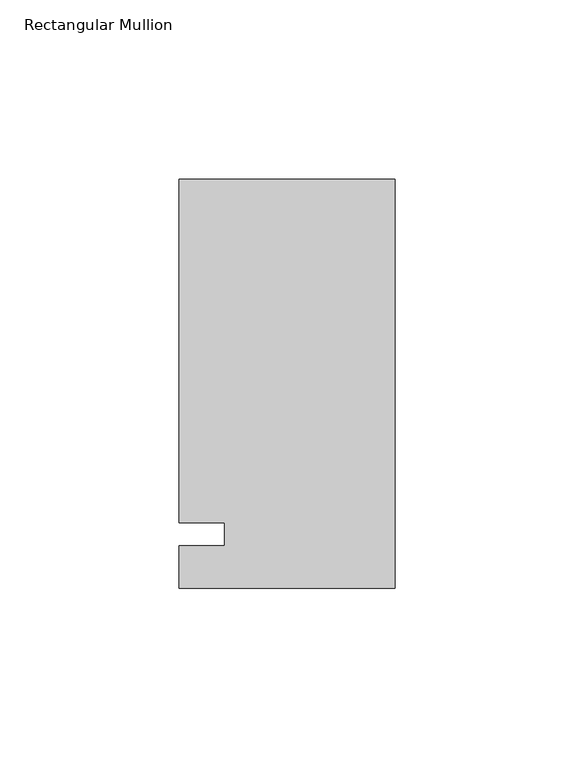
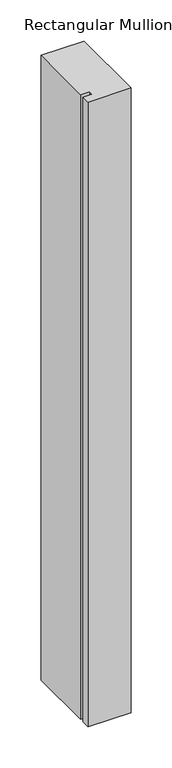
"""IFC4 building model written with IfcOpenShell, lengths in millimetres: member geometry, Rectangular Mullion."""

from ifc_helpers import new_model, si_unit, frame, origin, place, context, project, spatial, polyline, outline, extrude, source, transform, mapped, element, save


def rectangular_mullion_96fb6a23(model_context):
    return source(origin(), model_context, "Body", "SweptSolid", [
        extrude(outline(polyline([(-60.325, 99.21875), (0.0, 99.21875), (0.0, -15.08125), (-60.325, -15.08125), (-60.325, -3.175), (-47.6232296, -3.175), (-47.6232296, 3.175), (-60.325, 3.175), (-60.325, 99.21875)])), frame((0.0, 0.0, -925.9405973), z_axis=(0.0, 0.0, 1.0), x_axis=(1.0, 0.0, 0.0)), (0.0, 0.0, 1.0), 925.9405973),
    ])


if __name__ == "__main__":
    model = new_model("IFC4")
    model_context = context("Model", 3, world=origin())
    ifc_project = project(units=[si_unit("LENGTHUNIT", "METRE", prefix="MILLI")], contexts=[model_context])
    site = spatial("IfcSite", under=ifc_project)
    building = spatial("IfcBuilding", under=site)
    placement = place(None, origin())
    rectangular_mullion_shape = rectangular_mullion_96fb6a23(model_context)
    element("IfcMember", 1, ObjectType="Rectangular Mullion", at=placement, inside=building, context=model_context, shape_type="MappedRepresentation", body=[
        mapped(rectangular_mullion_shape, transform((0.0, 0.0, 0.0), x_axis=(1.0, 0.0, 0.0), y_axis=(0.0, 1.0, 0.0), z_axis=(0.0, 0.0, 1.0))),
    ])
    save(model, "model.ifc")
